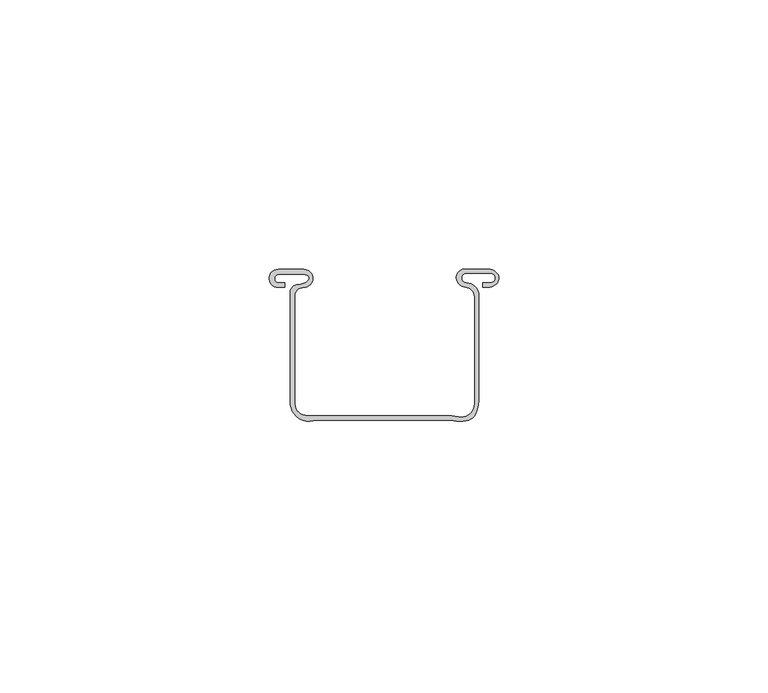
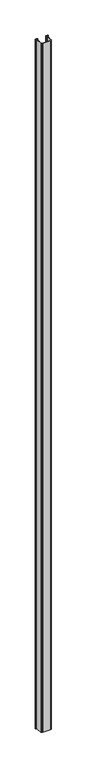
"""IFC4 building model written with IfcOpenShell, lengths in millimetres: proxy geometry."""

from ifc_helpers import new_model, si_unit, frame, origin, place, context, project, spatial, polyline, circle_curve, source, transform, mapped, element, save
from ifc_brep_helpers import plane_surface, cylinder_surface, revolved_surface, advanced_brep


def generic_models_3b939d2f(model_context):
    return source(origin(), model_context, "Body", "AdvancedBrep", [
        advanced_brep(
        [(-34.2154576, 24.6591098, 2400.0), (-32.9596842, 24.6591098, 2400.0), (-32.9596842, 25.5074259, 2400.0), (-34.3337717, 25.5074259, 2400.0), (-34.0750517, 27.0884922, 2400.0), (-29.8460569, 27.0884922, 2400.0), (-28.8111772, 26.9447589, 2400.0), (-28.6047269, 26.0017225, 2400.0), (-30.5412727, 25.1670708, 2400.0), (-31.94828, 23.7600635, 2400.0), (-31.94828, 2.8794148, 2400.0), (-30.2999777, 0.3, 2400.0), (-27.6632331, -0.1288019, 2400.0), (-26.5426458, 0.0, 2400.0), (-2.134483, 0.0, 2400.0), (1.1920445, 0.0, 2400.0), (2.2722859, 0.85, 2400.0), (3.080034, 3.7221981, 2400.0), (3.080034, 23.1641825, 2400.0), (0.754583, 25.4896334, 2400.0), (0.754583, 27.2894243, 2400.0), (5.2382204, 27.2894243, 2400.0), (5.2382204, 25.4896334, 2400.0), (3.7870067, 25.4896334, 2400.0), (3.7870067, 24.6908707, 2400.0), (5.0524632, 24.6908707, 2400.0), (6.4491714, 25.4403864, 2400.0), (6.4874796, 27.2336569, 2400.0), (4.8324868, 28.0430633, 2400.0), (0.5657873, 28.0430633, 2400.0), (-1.1104007, 26.3518151, 2400.0), (0.5954826, 24.6905238, 2400.0), (2.2722859, 22.8705255, 2400.0), (2.2722859, 3.0560401, 2400.0), (-0.7345325, 0.5905256, 2400.0), (-1.9877165, 0.85, 2400.0), (-26.7197678, 0.85, 2400.0), (-28.7713465, 0.85, 2400.0), (-31.1290539, 3.0560401, 2400.0), (-31.1290539, 15.0825513, 2400.0), (-31.1286513, 22.9825592, 2400.0), (-29.4522506, 24.6588738, 2400.0), (-29.4225553, 28.0114133, 2400.0), (-34.2293916, 28.0120206, 2400.0), (-34.2154576, 24.6591098, 0.0), (-34.2293916, 28.0120206, 0.0), (-29.4130009, 28.0120206, 0.0), (-29.4522506, 24.6588738, 0.0), (-31.1286513, 22.9825592, 0.0), (-31.1290539, 15.0825513, 0.0), (-31.1290539, 3.0560401, 0.0), (-28.7713465, 0.85, 0.0), (-26.7197678, 0.85, 0.0), (-1.9877165, 0.85, 0.0), (-0.7345325, 0.5905256, 0.0), (2.2722859, 3.0560401, 0.0), (2.2722859, 22.8705255, 0.0), (0.5954826, 24.6905238, 0.0), (-1.1104007, 26.3518151, 0.0), (0.5657873, 28.0430633, 0.0), (4.8324868, 28.0430633, 0.0), (6.4874796, 27.2336569, 0.0), (6.4491714, 25.4403864, 0.0), (5.0524632, 24.6908707, 0.0), (3.7870067, 24.6908707, 0.0), (3.7870067, 25.4896334, 0.0), (5.2382204, 25.4896334, 0.0), (5.2382204, 27.2894243, 0.0), (0.754583, 27.2894243, 0.0), (0.754583, 25.4896334, 0.0), (3.080034, 23.1641825, 0.0), (3.080034, 3.7221981, 0.0), (2.2722859, 0.85, 0.0), (1.1920445, 0.0, 0.0), (-2.134483, 0.0, 0.0), (-26.5426458, 0.0, 0.0), (-27.6632331, -0.1288019, 0.0), (-30.2999777, 0.3, 0.0), (-31.94828, 2.8794148, 0.0), (-31.94828, 23.7600635, 0.0), (-30.5412727, 25.1670708, 0.0), (-28.6047269, 26.0017225, 0.0), (-28.8111772, 26.9447589, 0.0), (-29.8460569, 27.0884922, 0.0), (-34.0750517, 27.0884922, 0.0), (-34.3337717, 25.5074259, 0.0), (-32.9596842, 25.5074259, 0.0), (-32.9596842, 24.6591098, 0.0)],
        [
            (0, 1),
            (1, 2),
            (2, 3),
            (3, 4, circle_curve(frame((-34.0750517, 26.276791, 2400.0), z_axis=(0.0, 0.0, -1.0), x_axis=(1.0, 0.0, 0.0)), 0.8117011)),
            (4, 5),
            (5, 6, circle_curve(frame((-29.6162577, 24.945613, 2400.0), z_axis=(0.0, 0.0, -1.0), x_axis=(1.0, 0.0, 0.0)), 2.1551656)),
            (6, 7, circle_curve(frame((-29.0294032, 26.4028683, 2400.0), z_axis=(0.0, 0.0, -1.0), x_axis=(1.0, 0.0, 0.0)), 0.5841814)),
            (7, 8, circle_curve(frame((-30.5412727, 27.8309684, 2400.0), z_axis=(0.0, 0.0, -1.0), x_axis=(1.0, 0.0, 0.0)), 2.6638976)),
            (8, 9, circle_curve(frame((-30.5412727, 23.7600635, 2400.0), z_axis=(0.0, 0.0, 1.0), x_axis=(1.0, 0.0, 0.0)), 1.4070073)),
            (9, 10),
            (10, 11, circle_curve(frame((-28.4601556, 3.2920443, 2400.0), z_axis=(0.0, 0.0, 1.0), x_axis=(1.0, 0.0, 0.0)), 3.5124457)),
            (11, 12, circle_curve(frame((-28.4601556, 3.2920443, 2400.0), z_axis=(0.0, 0.0, 1.0), x_axis=(1.0, 0.0, 0.0)), 3.5124457)),
            (12, 13, circle_curve(frame((-26.5426458, -4.9390017, 2400.0), z_axis=(0.0, 0.0, -1.0), x_axis=(1.0, 0.0, 0.0)), 4.9390017)),
            (13, 14),
            (14, 15, circle_curve(frame((-0.4712193, 5.1771054, 2400.0), z_axis=(0.0, 0.0, 1.0), x_axis=(1.0, 0.0, 0.0)), 5.4377262)),
            (15, 16, circle_curve(frame((0.5885821, 1.8783482, 2400.0), z_axis=(0.0, 0.0, 1.0), x_axis=(1.0, 0.0, 0.0)), 1.9729062)),
            (16, 17, circle_curve(frame((-2.4303344, 3.7221981, 2400.0), z_axis=(0.0, 0.0, 1.0), x_axis=(1.0, 0.0, 0.0)), 5.5103684)),
            (17, 18),
            (18, 19, circle_curve(frame((0.754583, 23.1641825, 2400.0), z_axis=(0.0, 0.0, 1.0), x_axis=(1.0, 0.0, 0.0)), 2.325451)),
            (19, 20, circle_curve(frame((0.754583, 26.3895289, 2400.0), z_axis=(0.0, 0.0, -1.0), x_axis=(1.0, 0.0, 0.0)), 0.8998954)),
            (20, 21),
            (21, 22, circle_curve(frame((5.2382204, 26.3895289, 2400.0), z_axis=(0.0, 0.0, -1.0), x_axis=(1.0, 0.0, 0.0)), 0.8998954)),
            (22, 23),
            (23, 24),
            (24, 25),
            (25, 26, circle_curve(frame((4.7973309, 26.8424322, 2400.0), z_axis=(0.0, 0.0, 1.0), x_axis=(1.0, 0.0, 0.0)), 2.1666355)),
            (26, 27, circle_curve(frame((5.3650194, 26.3605907, 2400.0), z_axis=(0.0, 0.0, 1.0), x_axis=(1.0, 0.0, 0.0)), 1.4220272)),
            (27, 28, circle_curve(frame((4.8324868, 25.9463788, 2400.0), z_axis=(0.0, 0.0, 1.0), x_axis=(1.0, 0.0, 0.0)), 2.0966845)),
            (28, 29),
            (29, 30, circle_curve(frame((0.4136607, 26.5175803, 2400.0), z_axis=(0.0, 0.0, 1.0), x_axis=(1.0, 0.0, 0.0)), 1.5330496)),
            (30, 31, circle_curve(frame((0.7483573, 26.5539837, 2400.0), z_axis=(0.0, 0.0, 1.0), x_axis=(1.0, 0.0, 0.0)), 1.8697201)),
            (31, 32, circle_curve(frame((0.4461734, 22.8705255, 2400.0), z_axis=(0.0, 0.0, -1.0), x_axis=(1.0, 0.0, 0.0)), 1.8261125)),
            (32, 33),
            (33, 34, circle_curve(frame((-0.2276532, 3.038601, 2400.0), z_axis=(0.0, 0.0, -1.0), x_axis=(1.0, 0.0, 0.0)), 2.5)),
            (34, 35),
            (35, 36),
            (36, 37, circle_curve(frame((-27.7455572, -14.5662271, 2400.0), z_axis=(0.0, 0.0, 1.0), x_axis=(1.0, 0.0, 0.0)), 15.4503172)),
            (37, 38, circle_curve(frame((-28.9181355, 3.0560401, 2400.0), z_axis=(0.0, 0.0, -1.0), x_axis=(1.0, 0.0, 0.0)), 2.2109184)),
            (38, 39),
            (39, 40, circle_curve(frame((-459.156208, 19.0543688, 2400.0), z_axis=(0.0, 0.0, 1.0), x_axis=(1.0, 0.0, 0.0)), 428.0455816)),
            (40, 41, circle_curve(frame((-29.4675803, 22.9978035, 2400.0), z_axis=(0.0, 0.0, -1.0), x_axis=(1.0, 0.0, 0.0)), 1.6611409)),
            (41, 42, circle_curve(frame((-29.4367806, 26.335138, 2400.0), z_axis=(0.0, 0.0, 1.0), x_axis=(1.0, 0.0, 0.0)), 1.6763356)),
            (42, 43),
            (43, 0, circle_curve(frame((-34.2154576, 26.3355942, 2400.0), z_axis=(0.0, 0.0, 1.0), x_axis=(1.0, 0.0, 0.0)), 1.6764844)),
            (44, 45, circle_curve(frame((-34.2154576, 26.3355942, 0.0), z_axis=(0.0, 0.0, -1.0), x_axis=(1.0, 0.0, 0.0)), 1.6764844)),
            (45, 46),
            (46, 47, circle_curve(frame((-29.4367806, 26.335138, 0.0), z_axis=(0.0, 0.0, -1.0), x_axis=(1.0, 0.0, 0.0)), 1.6763356)),
            (47, 48, circle_curve(frame((-29.4675803, 22.9978035, 0.0), z_axis=(0.0, 0.0, 1.0), x_axis=(1.0, 0.0, 0.0)), 1.6611409)),
            (48, 49, circle_curve(frame((-459.156208, 19.0543688, 0.0), z_axis=(0.0, 0.0, -1.0), x_axis=(1.0, 0.0, 0.0)), 428.0455816)),
            (49, 50),
            (50, 51, circle_curve(frame((-28.9181355, 3.0560401, 0.0), z_axis=(0.0, 0.0, 1.0), x_axis=(1.0, 0.0, 0.0)), 2.2109184)),
            (51, 52, circle_curve(frame((-27.7455572, -14.5662271, 0.0), z_axis=(0.0, 0.0, -1.0), x_axis=(1.0, 0.0, 0.0)), 15.4503172)),
            (52, 53),
            (53, 54),
            (54, 55, circle_curve(frame((-0.2276532, 3.038601, 0.0), z_axis=(0.0, 0.0, 1.0), x_axis=(1.0, 0.0, 0.0)), 2.5)),
            (55, 56),
            (56, 57, circle_curve(frame((0.4461734, 22.8705255, 0.0), z_axis=(0.0, 0.0, 1.0), x_axis=(1.0, 0.0, 0.0)), 1.8261125)),
            (57, 58, circle_curve(frame((0.7483573, 26.5539837, 0.0), z_axis=(0.0, 0.0, -1.0), x_axis=(1.0, 0.0, 0.0)), 1.8697201)),
            (58, 59, circle_curve(frame((0.4136607, 26.5175803, 0.0), z_axis=(0.0, 0.0, -1.0), x_axis=(1.0, 0.0, 0.0)), 1.5330496)),
            (59, 60),
            (60, 61, circle_curve(frame((4.8324868, 25.9463788, 0.0), z_axis=(0.0, 0.0, -1.0), x_axis=(1.0, 0.0, 0.0)), 2.0966845)),
            (61, 62, circle_curve(frame((5.3650194, 26.3605907, 0.0), z_axis=(0.0, 0.0, -1.0), x_axis=(1.0, 0.0, 0.0)), 1.4220272)),
            (62, 63, circle_curve(frame((4.7973309, 26.8424322, 0.0), z_axis=(0.0, 0.0, -1.0), x_axis=(1.0, 0.0, 0.0)), 2.1666355)),
            (63, 64),
            (64, 65),
            (65, 66),
            (66, 67, circle_curve(frame((5.2382204, 26.3895289, 0.0), z_axis=(0.0, 0.0, 1.0), x_axis=(1.0, 0.0, 0.0)), 0.8998954)),
            (67, 68),
            (68, 69, circle_curve(frame((0.754583, 26.3895289, 0.0), z_axis=(0.0, 0.0, 1.0), x_axis=(1.0, 0.0, 0.0)), 0.8998954)),
            (69, 70, circle_curve(frame((0.754583, 23.1641825, 0.0), z_axis=(0.0, 0.0, -1.0), x_axis=(1.0, 0.0, 0.0)), 2.325451)),
            (70, 71),
            (71, 72, circle_curve(frame((-2.4303344, 3.7221981, 0.0), z_axis=(0.0, 0.0, -1.0), x_axis=(1.0, 0.0, 0.0)), 5.5103684)),
            (72, 73, circle_curve(frame((0.5885821, 1.8783482, 0.0), z_axis=(0.0, 0.0, -1.0), x_axis=(1.0, 0.0, 0.0)), 1.9729062)),
            (73, 74, circle_curve(frame((-0.4712193, 5.1771054, 0.0), z_axis=(0.0, 0.0, -1.0), x_axis=(1.0, 0.0, 0.0)), 5.4377262)),
            (74, 75),
            (75, 76, circle_curve(frame((-26.5426458, -4.9390017, 0.0), z_axis=(0.0, 0.0, 1.0), x_axis=(1.0, 0.0, 0.0)), 4.9390017)),
            (76, 77, circle_curve(frame((-28.4601556, 3.2920443, 0.0), z_axis=(0.0, 0.0, -1.0), x_axis=(1.0, 0.0, 0.0)), 3.5124457)),
            (77, 78, circle_curve(frame((-28.4601556, 3.2920443, 0.0), z_axis=(0.0, 0.0, -1.0), x_axis=(1.0, 0.0, 0.0)), 3.5124457)),
            (78, 79),
            (79, 80, circle_curve(frame((-30.5412727, 23.7600635, 0.0), z_axis=(0.0, 0.0, -1.0), x_axis=(1.0, 0.0, 0.0)), 1.4070073)),
            (80, 81, circle_curve(frame((-30.5412727, 27.8309684, 0.0), z_axis=(0.0, 0.0, 1.0), x_axis=(1.0, 0.0, 0.0)), 2.6638976)),
            (81, 82, circle_curve(frame((-29.0294032, 26.4028683, 0.0), z_axis=(0.0, 0.0, 1.0), x_axis=(1.0, 0.0, 0.0)), 0.5841814)),
            (82, 83, circle_curve(frame((-29.6162577, 24.945613, 0.0), z_axis=(0.0, 0.0, 1.0), x_axis=(1.0, 0.0, 0.0)), 2.1551656)),
            (83, 84),
            (84, 85, circle_curve(frame((-34.0750517, 26.276791, 0.0), z_axis=(0.0, 0.0, 1.0), x_axis=(1.0, 0.0, 0.0)), 0.8117011)),
            (85, 86),
            (86, 87),
            (87, 44),
            (0, 44),
            (87, 1),
            (86, 2),
            (85, 3),
            (84, 4),
            (5, 83),
            (82, 6),
            (81, 7),
            (80, 8),
            (79, 9),
            (78, 10),
            (77, 11),
            (76, 12),
            (75, 13),
            (74, 14),
            (73, 15),
            (72, 16),
            (71, 17),
            (70, 18),
            (69, 19),
            (68, 20),
            (67, 21),
            (66, 22),
            (65, 23),
            (64, 24),
            (63, 25),
            (62, 26),
            (61, 27),
            (60, 28),
            (59, 29),
            (58, 30),
            (57, 31),
            (56, 32),
            (55, 33),
            (54, 34),
            (53, 35),
            (39, 49),
            (48, 40),
            (47, 41),
            (46, 42),
            (43, 45),
            (36, 52),
            (51, 37),
            (50, 38),
        ],
        [
            plane_surface(frame((-32.9596842, 24.6591098, 2400.0), z_axis=(0.0, 0.0, 1.0), x_axis=(1.0, 0.0, 0.0))),
            plane_surface(frame((-32.9596842, 24.6591098, 0.0), z_axis=(0.0, 0.0, -1.0), x_axis=(-1.0, 0.0, 0.0))),
            plane_surface(frame((-34.2154576, 24.6591098, 2400.0), z_axis=(0.0, -1.0, 0.0), x_axis=(0.0, 0.0, -1.0))),
            plane_surface(frame((-32.9596842, 24.6591098, 2400.0), z_axis=(1.0, 0.0, 0.0), x_axis=(0.0, 0.0, -1.0))),
            plane_surface(frame((-32.9596842, 25.5074259, 2400.0), z_axis=(0.0, 1.0, 0.0), x_axis=(0.0, 0.0, -1.0))),
            revolved_surface(polyline([(-33.2633506, 26.276791, 0.0), (-33.2633506, 26.276791, 2400.0)]), (-34.0750517, 26.276791, 0.0), (0.0, 0.0, -1.0)),
            revolved_surface(polyline([(-27.4610921, 24.945613, 0.0), (-27.4610921, 24.945613, 2400.0)]), (-29.6162577, 24.945613, 0.0), (0.0, 0.0, -1.0)),
            revolved_surface(polyline([(-28.445221800000002, 26.4028683, 0.0), (-28.445221800000002, 26.4028683, 2400.0)]), (-29.0294032, 26.4028683, 0.0), (0.0, 0.0, -1.0)),
            revolved_surface(polyline([(-27.877375100000002, 27.8309684, 0.0), (-27.877375100000002, 27.8309684, 2400.0)]), (-30.5412727, 27.8309684, 0.0), (0.0, 0.0, -1.0)),
            cylinder_surface(frame((-30.5412727, 23.7600635, 0.0), z_axis=(0.0, 0.0, 1.0), x_axis=(1.0, 0.0, 0.0)), 1.4070073),
            plane_surface(frame((-31.94828, 23.7600635, 2400.0), z_axis=(-1.0, 0.0, 0.0), x_axis=(0.0, 0.0, -1.0))),
            cylinder_surface(frame((-28.4601556, 3.2920443, 0.0), z_axis=(0.0, 0.0, 1.0), x_axis=(1.0, 0.0, 0.0)), 3.5124457),
            revolved_surface(polyline([(-21.603644099999997, -4.9390017, 0.0), (-21.603644099999997, -4.9390017, 2400.0)]), (-26.5426458, -4.9390017, 0.0), (0.0, 0.0, -1.0)),
            plane_surface(frame((-26.5426458, 0.0, 2400.0), z_axis=(0.0, -1.0, 0.0), x_axis=(0.0, 0.0, -1.0))),
            cylinder_surface(frame((-0.4712193, 5.1771054, 0.0), z_axis=(0.0, 0.0, 1.0), x_axis=(1.0, 0.0, 0.0)), 5.4377262),
            cylinder_surface(frame((0.5885821, 1.8783482, 0.0), z_axis=(0.0, 0.0, 1.0), x_axis=(1.0, 0.0, 0.0)), 1.9729062),
            cylinder_surface(frame((-2.4303344, 3.7221981, 0.0), z_axis=(0.0, 0.0, 1.0), x_axis=(1.0, 0.0, 0.0)), 5.5103684),
            plane_surface(frame((3.080034, 3.7221981, 2400.0), z_axis=(1.0, 0.0, 0.0), x_axis=(0.0, 0.0, -1.0))),
            cylinder_surface(frame((0.754583, 23.1641825, 0.0), z_axis=(0.0, 0.0, 1.0), x_axis=(1.0, 0.0, 0.0)), 2.325451),
            revolved_surface(polyline([(1.6544784, 26.3895289, 0.0), (1.6544784, 26.3895289, 2400.0)]), (0.754583, 26.3895289, 0.0), (0.0, 0.0, -1.0)),
            plane_surface(frame((0.754583, 27.2894243, 2400.0), z_axis=(0.0, -1.0, 0.0), x_axis=(0.0, 0.0, -1.0))),
            revolved_surface(polyline([(6.1381158000000005, 26.3895289, 0.0), (6.1381158000000005, 26.3895289, 2400.0)]), (5.2382204, 26.3895289, 0.0), (0.0, 0.0, -1.0)),
            plane_surface(frame((5.2382204, 25.4896334, 2400.0), z_axis=(0.0, 1.0, 0.0), x_axis=(0.0, 0.0, -1.0))),
            plane_surface(frame((3.7870067, 25.4896334, 2400.0), z_axis=(-1.0, 0.0, 0.0), x_axis=(0.0, 0.0, -1.0))),
            plane_surface(frame((3.7870067, 24.6908707, 2400.0), z_axis=(0.0, -1.0, 0.0), x_axis=(0.0, 0.0, -1.0))),
            cylinder_surface(frame((4.7973309, 26.8424322, 0.0), z_axis=(0.0, 0.0, 1.0), x_axis=(1.0, 0.0, 0.0)), 2.1666355),
            cylinder_surface(frame((5.3650194, 26.3605907, 0.0), z_axis=(0.0, 0.0, 1.0), x_axis=(1.0, 0.0, 0.0)), 1.4220272),
            cylinder_surface(frame((4.8324868, 25.9463788, 0.0), z_axis=(0.0, 0.0, 1.0), x_axis=(1.0, 0.0, 0.0)), 2.0966845),
            plane_surface(frame((4.8324868, 28.0430633, 2400.0), z_axis=(0.0, 1.0, 0.0), x_axis=(0.0, 0.0, -1.0))),
            cylinder_surface(frame((0.4136607, 26.5175803, 0.0), z_axis=(0.0, 0.0, 1.0), x_axis=(1.0, 0.0, 0.0)), 1.5330496),
            cylinder_surface(frame((0.7483573, 26.5539837, 0.0), z_axis=(0.0, 0.0, 1.0), x_axis=(1.0, 0.0, 0.0)), 1.8697201),
            revolved_surface(polyline([(2.2722859, 22.8705255, 0.0), (2.2722859, 22.8705255, 2400.0)]), (0.4461734, 22.8705255, 0.0), (0.0, 0.0, -1.0)),
            plane_surface(frame((2.2722859, 22.8705255, 2400.0), z_axis=(-1.0, 0.0, 0.0), x_axis=(0.0, 0.0, -1.0))),
            revolved_surface(polyline([(2.2723468, 3.038601, 0.0), (2.2723468, 3.038601, 2400.0)]), (-0.2276532, 3.038601, 0.0), (0.0, 0.0, -1.0)),
            plane_surface(frame((-0.7345325, 0.5905256, 2400.0), z_axis=(0.20275171483563173, 0.9792301783192809, 0.0), x_axis=(0.0, 0.0, -1.0))),
            cylinder_surface(frame((-459.156208, 19.0543688, 0.0), z_axis=(0.0, 0.0, 1.0), x_axis=(1.0, 0.0, 0.0)), 428.0455816),
            revolved_surface(polyline([(-27.806439400000002, 22.9978035, 0.0), (-27.806439400000002, 22.9978035, 2400.0)]), (-29.4675803, 22.9978035, 0.0), (0.0, 0.0, -1.0)),
            cylinder_surface(frame((-29.4367806, 26.335138, 0.0), z_axis=(0.0, 0.0, 1.0), x_axis=(1.0, 0.0, 0.0)), 1.6763356),
            cylinder_surface(frame((-34.2154576, 26.3355942, 0.0), z_axis=(0.0, 0.0, 1.0), x_axis=(1.0, 0.0, 0.0)), 1.6764844),
            cylinder_surface(frame((-27.7455572, -14.5662271, 0.0), z_axis=(0.0, 0.0, 1.0), x_axis=(1.0, 0.0, 0.0)), 15.4503172),
            revolved_surface(polyline([(-26.7072171, 3.0560401, 0.0), (-26.7072171, 3.0560401, 2400.0)]), (-28.9181355, 3.0560401, 0.0), (0.0, 0.0, -1.0)),
            plane_surface(frame((-31.1290539, 3.0560401, 2400.0), z_axis=(1.0, 0.0, 0.0), x_axis=(0.0, 0.0, -1.0))),
            plane_surface(frame((-34.0750517, 27.0884922, 2400.0), z_axis=(0.0, -1.0, 0.0), x_axis=(0.0, 0.0, -1.0))),
            plane_surface(frame((-1.9877165, 0.85, 2400.0), z_axis=(0.0, 1.0, 0.0), x_axis=(0.0, 0.0, -1.0))),
            plane_surface(frame((-29.4130009, 28.0120206, 2400.0), z_axis=(0.0, 1.0, 0.0), x_axis=(0.0, 0.0, -1.0))),
        ],
        [
            (0, [[1, 2, 3, 4, 5, 6, 7, 8, 9, 10, 11, 12, 13, 14, 15, 16, 17, 18, 19, 20, 21, 22, 23, 24, 25, 26, 27, 28, 29, 30, 31, 32, 33, 34, 35, 36, 37, 38, 39, 40, 41, 42, 43, 44]]),
            (1, [[45, 46, 47, 48, 49, 50, 51, 52, 53, 54, 55, 56, 57, 58, 59, 60, 61, 62, 63, 64, 65, 66, 67, 68, 69, 70, 71, 72, 73, 74, 75, 76, 77, 78, 79, 80, 81, 82, 83, 84, 85, 86, 87, 88]]),
            (2, [[-1, 89, -88, 90]]),
            (3, [[-2, -90, -87, 91]]),
            (4, [[-3, -91, -86, 92]]),
            (5, [[-4, -92, -85, 93]]),
            (6, [[-6, 94, -83, 95]]),
            (7, [[-7, -95, -82, 96]]),
            (8, [[-8, -96, -81, 97]]),
            (9, [[-9, -97, -80, 98]]),
            (10, [[-10, -98, -79, 99]]),
            (11, [[-11, -99, -78, 100]]),
            (11, [[-12, -100, -77, 101]]),
            (12, [[-13, -101, -76, 102]]),
            (13, [[-14, -102, -75, 103]]),
            (14, [[-15, -103, -74, 104]]),
            (15, [[-16, -104, -73, 105]]),
            (16, [[-17, -105, -72, 106]]),
            (17, [[-18, -106, -71, 107]]),
            (18, [[-19, -107, -70, 108]]),
            (19, [[-20, -108, -69, 109]]),
            (20, [[-21, -109, -68, 110]]),
            (21, [[-22, -110, -67, 111]]),
            (22, [[-23, -111, -66, 112]]),
            (23, [[-24, -112, -65, 113]]),
            (24, [[-25, -113, -64, 114]]),
            (25, [[-26, -114, -63, 115]]),
            (26, [[-27, -115, -62, 116]]),
            (27, [[-28, -116, -61, 117]]),
            (28, [[-29, -117, -60, 118]]),
            (29, [[-30, -118, -59, 119]]),
            (30, [[-31, -119, -58, 120]]),
            (31, [[-32, -120, -57, 121]]),
            (32, [[-33, -121, -56, 122]]),
            (33, [[-34, -122, -55, 123]]),
            (34, [[-35, -123, -54, 124]]),
            (35, [[-40, 125, -49, 126]]),
            (36, [[-41, -126, -48, 127]]),
            (37, [[-42, -127, -47, 128]]),
            (38, [[-44, 129, -45, -89]]),
            (39, [[-37, 130, -52, 131]]),
            (40, [[-38, -131, -51, 132]]),
            (41, [[-39, -132, -50, -125]]),
            (42, [[-5, -93, -84, -94]]),
            (43, [[-36, -124, -53, -130]]),
            (44, [[-43, -128, -46, -129]]),
        ],
    ),
    ])


if __name__ == "__main__":
    model = new_model("IFC4")
    model_context = context("Model", 3, world=origin())
    ifc_project = project(units=[si_unit("LENGTHUNIT", "METRE", prefix="MILLI")], contexts=[model_context])
    site = spatial("IfcSite", under=ifc_project)
    building = spatial("IfcBuilding", under=site)
    placement = place(None, origin())
    generic_models_shape = generic_models_3b939d2f(model_context)
    element("IfcBuildingElementProxy", 1, Name="Generic Models", at=placement, inside=building, context=model_context, shape_type="MappedRepresentation", body=[
        mapped(generic_models_shape, transform((0.0, 0.0, 0.0), x_axis=(1.0, 0.0, 0.0), y_axis=(0.0, 1.0, 0.0), z_axis=(0.0, 0.0, 1.0))),
    ])
    save(model, "model.ifc")
